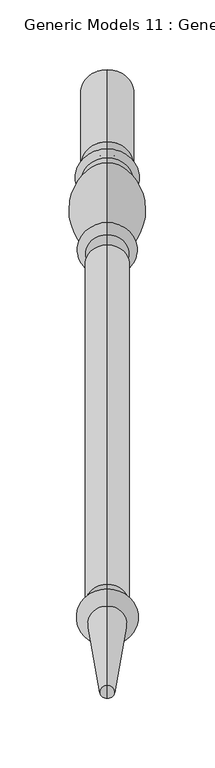
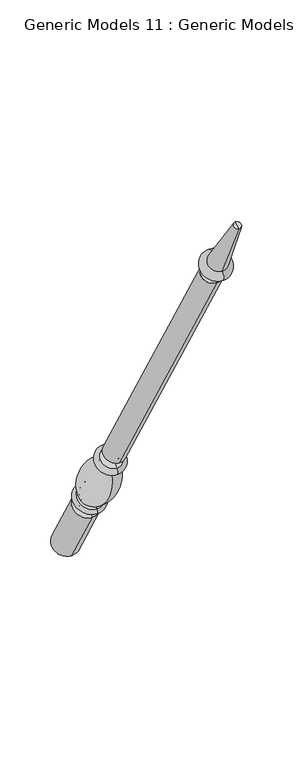
"""IFC4 building model written with IfcOpenShell, lengths in millimetres: proxy geometry, Generic Models 11 : Generic Models 2."""

import ifcopenshell
import ifcopenshell.guid

model = None  # the IFC model being written
_history = None  # IfcOwnerHistory: only IFC2X3 demands one
_inside = {}  # id of a spatial element -> (the spatial element, [elements in it])
_under = {}  # id of a project, library or spatial element -> (it, [spatial elements below it])
_declared = {}  # id of a project -> (the project, [libraries it declares])
_typed = {}  # id of a type object -> (the type object, [elements of that type])
_made_of = {}  # id of a material, layer set ... -> (it, [elements and type objects made of it])


def new_model(schema):
    """Start an empty IFC model of exactly this schema.

    Asked for "IFC4X3", IfcOpenShell would pick the latest addendum, in which some entities
    have other attributes; the version numbers below select the first issue.
    IFC2X3 requires an IfcOwnerHistory on every rooted entity: one is made here for all.
    """
    global model, _history
    if schema == "IFC4X3":
        model = ifcopenshell.file(schema_version=(4, 3, 0, 0))
    else:
        model = ifcopenshell.file(schema=schema)
    _inside.clear()
    _under.clear()
    _declared.clear()
    _typed.clear()
    _made_of.clear()
    _history = None
    if model.schema == "IFC2X3":
        org = make("IfcOrganization", Name="unknown")
        user = make(
            "IfcPersonAndOrganization",
            ThePerson=make("IfcPerson", FamilyName="unknown"),
            TheOrganization=org,
        )
        app = make(
            "IfcApplication",
            ApplicationDeveloper=org,
            Version="unknown",
            ApplicationFullName="unknown",
            ApplicationIdentifier="unknown",
        )
        _history = make(
            "IfcOwnerHistory",
            OwningUser=user,
            OwningApplication=app,
            ChangeAction="ADDED",
            CreationDate=0,
        )
    return model


def make(cls, **values):
    """One entity of the class cls with the attributes given. An attribute that is None is left unset."""
    return model.create_entity(
        cls, **{name: value for name, value in values.items() if value is not None}
    )


def rooted(cls, **values):
    """An entity with a GlobalId (a new one), such as an element, a storey or a relation."""
    return make(cls, GlobalId=ifcopenshell.guid.new(), OwnerHistory=_history, **values)


def si_unit(unit_type, name, prefix=None):
    """IfcSIUnit, for example si_unit("LENGTHUNIT", "METRE", prefix="MILLI")."""
    return make("IfcSIUnit", UnitType=unit_type, Prefix=prefix, Name=name)


def assignment(units):
    """IfcUnitAssignment: the units of a project."""
    return None if units is None else make("IfcUnitAssignment", Units=units)


def point(xyz):
    """IfcCartesianPoint."""
    return None if xyz is None else make("IfcCartesianPoint", Coordinates=xyz)


def direction(xyz):
    """IfcDirection."""
    return None if xyz is None else make("IfcDirection", DirectionRatios=xyz)


def frame(location, z_axis=None, x_axis=None):
    """IfcAxis2Placement3D, a coordinate frame: its origin and axes. An axis left out is left unset."""
    return make(
        "IfcAxis2Placement3D",
        Location=point(location),
        Axis=direction(z_axis),
        RefDirection=direction(x_axis),
    )


def origin():
    """The frame at (0, 0, 0) with its axes left unset."""
    return frame((0.0, 0.0, 0.0))


def place(relative_to, where):
    """IfcLocalPlacement: puts the frame where relative to a parent placement (None: the world)."""
    return make(
        "IfcLocalPlacement", PlacementRelTo=relative_to, RelativePlacement=where
    )


def context(
    kind, dimensions, precision=None, world=None, true_north=None, identifier=None
):
    """IfcGeometricRepresentationContext, for example the 3D "Model" context."""
    return make(
        "IfcGeometricRepresentationContext",
        ContextIdentifier=identifier,
        ContextType=kind,
        CoordinateSpaceDimension=dimensions,
        Precision=precision,
        WorldCoordinateSystem=world,
        TrueNorth=true_north,
    )


def project(units=None, contexts=None):
    """IfcProject with its units and contexts."""
    return rooted(
        "IfcProject",
        Name="project",
        RepresentationContexts=contexts,
        UnitsInContext=assignment(units),
    )


def spatial(cls, under=None, at=None, **own):
    """A site, building, storey or space (cls), placed at a placement, below another one or the project."""
    s = rooted(cls, ObjectPlacement=at, **own)
    if under is not None:
        _under.setdefault(under.id(), (under, []))[1].append(s)
    return s


def polyline(points):
    """IfcPolyline through the points."""
    return make("IfcPolyline", Points=[point(p) for p in points])


def circle_curve(where, radius):
    """IfcCircle in the frame where."""
    return make("IfcCircle", Position=where, Radius=radius)


def ellipse_curve(where, semi_axis1, semi_axis2):
    """IfcEllipse in the frame where."""
    return make(
        "IfcEllipse", Position=where, SemiAxis1=semi_axis1, SemiAxis2=semi_axis2
    )


def trimmed(basis, trim1, trim2, sense, master):
    """IfcTrimmedCurve: the piece of a basis curve between two trims."""
    return make(
        "IfcTrimmedCurve",
        BasisCurve=basis,
        Trim1=trim1,
        Trim2=trim2,
        SenseAgreement=sense,
        MasterRepresentation=master,
    )


def shape(context_of_items, identifier, shape_type, items):
    """IfcShapeRepresentation: the items that make up one representation, for example the "Body"."""
    return make(
        "IfcShapeRepresentation",
        ContextOfItems=context_of_items,
        RepresentationIdentifier=identifier,
        RepresentationType=shape_type,
        Items=items,
    )


def source(mapping_origin, context_of_items, identifier, shape_type, items):
    """IfcRepresentationMap: a shape defined once, which mapped items show again and again."""
    return make(
        "IfcRepresentationMap",
        MappingOrigin=mapping_origin,
        MappedRepresentation=shape(context_of_items, identifier, shape_type, items),
    )


def transform(
    local_origin,
    x_axis=None,
    y_axis=None,
    z_axis=None,
    scale=None,
    scale2=None,
    scale3=None,
    uniform=True,
):
    """IfcCartesianTransformationOperator3D, or its non-uniform kind. x_axis, y_axis, z_axis: its Axis1, 2, 3."""
    if uniform:
        return make(
            "IfcCartesianTransformationOperator3D",
            Axis1=direction(x_axis),
            Axis2=direction(y_axis),
            LocalOrigin=point(local_origin),
            Scale=scale,
            Axis3=direction(z_axis),
        )
    return make(
        "IfcCartesianTransformationOperator3DnonUniform",
        Axis1=direction(x_axis),
        Axis2=direction(y_axis),
        LocalOrigin=point(local_origin),
        Scale=scale,
        Axis3=direction(z_axis),
        Scale2=scale2,
        Scale3=scale3,
    )


def mapped(mapping_source, mapping_target):
    """IfcMappedItem: shows the shape of a source again, moved by a transform."""
    return make(
        "IfcMappedItem", MappingSource=mapping_source, MappingTarget=mapping_target
    )


def made_of(thing, what):
    """Note that an element or type object is made of a material, layer set ...; save() writes the relation."""
    if what is not None:
        _made_of.setdefault(what.id(), (what, []))[1].append(thing)
    return thing


def element(
    cls,
    number,
    at=None,
    inside=None,
    cuts=None,
    type_object=None,
    material=None,
    context=None,
    identifier="Body",
    shape_type=None,
    held_by="IfcProductDefinitionShape",
    body=None,
    shapes=None,
    **own,
):
    """One element of the class cls, such as IfcWall. Its Tag is "e" and its number.

    at: its placement. inside: the storey or other place that contains it. cuts: it is an
    opening in that element (IfcRelVoidsElement). A single representation is given by context,
    identifier, shape_type and body (its items); several are given by shapes. held_by: the class
    of the entity that holds the representations. save() writes the other relations.
    """
    e = rooted(cls, Tag="e%d" % number, ObjectPlacement=at, **own)
    if body is not None:
        shapes = [shape(context, identifier, shape_type, body)]
    if shapes is not None:
        e.Representation = make(held_by, Representations=shapes)
    if inside is not None:
        _inside.setdefault(inside.id(), (inside, []))[1].append(e)
    if cuts is not None:
        rooted(
            "IfcRelVoidsElement", RelatingBuildingElement=cuts, RelatedOpeningElement=e
        )
    if type_object is not None:
        _typed.setdefault(type_object.id(), (type_object, []))[1].append(e)
    return made_of(e, material)


def aggregate(whole, parts):
    """IfcRelAggregates: a whole, such as a stair, and the parts it consists of."""
    return rooted("IfcRelAggregates", RelatingObject=whole, RelatedObjects=parts)


def save(model, path):
    """Write the relations noted so far, then the file.

    IfcRelAggregates (storeys below a building ...), IfcRelContainedInSpatialStructure (elements
    in a storey), IfcRelDefinesByType, IfcRelAssociatesMaterial and IfcRelDeclares: one each for
    every whole, place, type object, material and project.
    """
    for whole, parts in _under.values():
        aggregate(whole, parts)
    for where, things in _inside.values():
        rooted(
            "IfcRelContainedInSpatialStructure",
            RelatedElements=things,
            RelatingStructure=where,
        )
    for kind, things in _typed.values():
        rooted("IfcRelDefinesByType", RelatedObjects=things, RelatingType=kind)
    for what, things in _made_of.values():
        rooted("IfcRelAssociatesMaterial", RelatedObjects=things, RelatingMaterial=what)
    for by, libraries in _declared.values():
        rooted("IfcRelDeclares", RelatingContext=by, RelatedDefinitions=libraries)
    model.write(path)


def plane_surface(at):
    """IfcPlane: the flat surface through the origin of the frame at, square to its z axis."""
    return make("IfcPlane", Position=at)


def cylinder_surface(at, radius):
    """IfcCylindricalSurface: all points at the distance radius from the z axis of the frame at."""
    return make("IfcCylindricalSurface", Position=at, Radius=radius)


def revolved_surface(curve, axis_point, axis_direction):
    """IfcSurfaceOfRevolution: the curve turned about the line through axis_point along axis_direction."""
    return make(
        "IfcSurfaceOfRevolution",
        SweptCurve=make("IfcArbitraryOpenProfileDef", ProfileType="CURVE", Curve=curve),
        AxisPosition=make("IfcAxis1Placement", Location=point(axis_point), Axis=direction(axis_direction)),
    )


def advanced_brep(points, edges, surfaces, faces):
    """IfcAdvancedBrep: a solid bounded by faces that lie on surfaces and meet in shared edges.

    An edge is (start, end): straight between two places in points (the first is 0);
    or (start, end, curve); or (start, end, curve, False) where it runs against its curve.
    A face is (place in surfaces, loops), or (place, loops, False) where it looks against
    its surface's normal. A loop lists edges by number (the first is 1), with a minus sign
    where the edge is run from its end to its start. The first loop is the outer one.
    """
    corners = [point(p) for p in points]
    vertices = [make("IfcVertexPoint", VertexGeometry=c) for c in corners]
    made = []
    for start, end, *more in edges:
        made.append(
            make(
                "IfcEdgeCurve",
                EdgeStart=vertices[start],
                EdgeEnd=vertices[end],
                EdgeGeometry=more[0] if more else make("IfcPolyline", Points=[corners[start], corners[end]]),
                SameSense=more[1] if len(more) > 1 else True,
            )
        )
    hull = []
    for where, loops, *sense in faces:
        bounds = []
        for j, loop in enumerate(loops):
            ring = [make("IfcOrientedEdge", EdgeElement=made[abs(k) - 1], Orientation=k > 0) for k in loop]
            bounds.append(
                make(
                    "IfcFaceOuterBound" if j == 0 else "IfcFaceBound",
                    Bound=make("IfcEdgeLoop", EdgeList=ring),
                    Orientation=True,
                )
            )
        hull.append(make("IfcAdvancedFace", Bounds=bounds, FaceSurface=surfaces[where], SameSense=sense[0] if sense else True))
    return make("IfcAdvancedBrep", Outer=make("IfcClosedShell", CfsFaces=hull))


def generic_models_11_generic_models_2_f3b3bdd0(model_context):
    return source(origin(), model_context, "Body", "AdvancedBrep", [
        advanced_brep(
        [(-1213.2684498, 1861.1601077, 610.5814746), (-1213.2684498, 1828.1645398, 591.5314746), (-1213.2684498, 1880.0576333, 501.65), (-1213.2684498, 1913.0532012, 520.7), (-1213.2684498, 1853.6896456, 623.5206944), (-1213.2684498, 1820.6940777, 604.4706944), (-1213.2684498, 1849.5864045, 630.6277165), (-1213.2684498, 1816.5908366, 611.5777165), (-1213.2684498, 1845.9182158, 636.9812058), (-1213.2684498, 1812.9226479, 617.9312058), (-1213.2684498, 1801.1569262, 703.055156), (-1213.2684498, 1778.0815733, 689.7325947), (-1213.2684498, 1799.8610191, 710.4046105), (-1213.2684498, 1772.3647125, 694.5296105), (-1213.2684498, 1794.1590629, 720.2806883), (-1213.2684498, 1766.6627563, 704.4056883), (-1213.2684498, 1786.7732215, 733.0733408), (-1213.2684498, 1759.276915, 717.1983408), (-1213.2684498, 1542.2982215, 1156.516462), (-1213.2684498, 1514.801915, 1140.641462), (-1213.2684498, 1537.2251467, 1153.5875209), (-1213.2684498, 1519.8749898, 1143.5704031), (-1213.2684498, 1531.1910418, 1164.0388972), (-1213.2684498, 1513.8408848, 1154.0217794), (-1213.2684498, 1534.7597609, 1166.0992981), (-1213.2684498, 1510.2721658, 1151.9613785), (-1213.2684498, 1526.5847892, 1180.2587644), (-1213.2684498, 1502.0971941, 1166.1208448), (-1213.2684498, 1469.4852742, 1261.8053229), (-1213.2684498, 1460.0255603, 1256.3437545), (-1213.2684498, 1464.7554173, 1259.0745387), (-1213.2684498, 1896.5554173, 511.175)],
        [
            (0, 1, circle_curve(frame((-1213.2684498, 1844.6623237, 601.0564746), z_axis=(0.0, 0.5000000000000062, -0.8660254037844352), x_axis=(0.0, -0.8660254037844352, -0.5000000000000062)), 19.05)),
            (1, 2),
            (2, 3, circle_curve(frame((-1213.2684498, 1896.5554173, 511.175), z_axis=(0.0, -0.5000000000000062, 0.8660254037844352), x_axis=(0.0, -0.8660254037844352, -0.5000000000000062)), 19.05)),
            (3, 0),
            (1, 0, circle_curve(frame((-1213.2684498, 1844.6623237, 601.0564746), z_axis=(0.0, 0.5000000000000062, -0.8660254037844352), x_axis=(0.0, -0.8660254037844352, -0.5000000000000062)), 19.05)),
            (3, 2, circle_curve(frame((-1213.2684498, 1896.5554173, 511.175), z_axis=(0.0, -0.5000000000000062, 0.8660254037844352), x_axis=(0.0, -0.8660254037844352, -0.5000000000000062)), 19.05)),
            (4, 5, circle_curve(frame((-1213.2684498, 1837.1918617, 613.9956944), z_axis=(0.0, 0.5000000000000062, -0.8660254037844352), x_axis=(0.0, -0.8660254037844352, -0.5000000000000062)), 19.05)),
            (5, 1, circle_curve(frame((-1213.2684498, 1821.8102989, 596.4889985), z_axis=(-1.0, 0.0, 0.0), x_axis=(0.0, 0.8660254037844352, 0.5000000000000062)), 8.0593685)),
            (0, 4, circle_curve(frame((-1213.2684498, 1860.0438865, 618.5631706), z_axis=(-1.0, 0.0, 0.0), x_axis=(0.0, -0.8660254037844352, -0.5000000000000062)), 8.0593685)),
            (5, 4, circle_curve(frame((-1213.2684498, 1837.1918617, 613.9956944), z_axis=(0.0, 0.5000000000000062, -0.8660254037844352), x_axis=(0.0, -0.8660254037844352, -0.5000000000000062)), 19.05)),
            (6, 7, circle_curve(frame((-1213.2684498, 1833.0886205, 621.1027165), z_axis=(0.0, 0.5000000000000062, -0.8660254037844352), x_axis=(0.0, -0.8660254037844352, -0.5000000000000062)), 19.05)),
            (7, 5, circle_curve(frame((-1213.2684498, 1818.6424572, 608.0242055), z_axis=(1.0, 0.0, 0.0), x_axis=(0.0, 0.8660254037844352, 0.5000000000000062)), 4.1032411)),
            (4, 6, circle_curve(frame((-1213.2684498, 1851.638025, 627.0742055), z_axis=(1.0, 0.0, 0.0), x_axis=(0.0, -0.8660254037844352, -0.5000000000000062)), 4.1032411)),
            (7, 6, circle_curve(frame((-1213.2684498, 1833.0886205, 621.1027165), z_axis=(0.0, 0.5000000000000062, -0.8660254037844352), x_axis=(0.0, -0.8660254037844352, -0.5000000000000062)), 19.05)),
            (8, 9, circle_curve(frame((-1213.2684498, 1829.4204318, 627.4562058), z_axis=(0.0, 0.5000000000000062, -0.8660254037844352), x_axis=(0.0, -0.8660254037844352, -0.5000000000000062)), 19.05)),
            (9, 7, circle_curve(frame((-1213.2684498, 1813.3633086, 613.9499618), z_axis=(-1.0, 0.0, 0.0), x_axis=(0.0, 0.8660254037844352, 0.5000000000000062)), 4.0055568)),
            (6, 8, circle_curve(frame((-1213.2684498, 1849.1457438, 634.6089605), z_axis=(-1.0, 0.0, 0.0), x_axis=(0.0, -0.8660254037844352, -0.5000000000000062)), 4.0055568)),
            (9, 8, circle_curve(frame((-1213.2684498, 1829.4204318, 627.4562058), z_axis=(0.0, 0.5000000000000062, -0.8660254037844352), x_axis=(0.0, -0.8660254037844352, -0.5000000000000062)), 19.05)),
            (10, 11, circle_curve(frame((-1213.2684498, 1789.6192497, 696.3938754), z_axis=(0.0, 0.5000000000000062, -0.8660254037844352), x_axis=(0.0, -0.8660254037844352, -0.5000000000000062)), 13.3225612)),
            (11, 9, circle_curve(frame((-1213.2684498, 1854.1299968, 682.2806335), z_axis=(1.0, 0.0, 0.0), x_axis=(0.0, 0.8660254037844352, 0.5000000000000062)), 76.412659)),
            (8, 10, circle_curve(frame((-1213.2684498, 1769.5863022, 633.4693086), z_axis=(1.0, 0.0, 0.0), x_axis=(0.0, -0.8660254037844352, -0.5000000000000062)), 76.412659)),
            (11, 10, circle_curve(frame((-1213.2684498, 1789.6192497, 696.3938754), z_axis=(0.0, 0.5000000000000062, -0.8660254037844352), x_axis=(0.0, -0.8660254037844352, -0.5000000000000062)), 13.3225612)),
            (12, 13, circle_curve(frame((-1213.2684498, 1786.1128658, 702.4671105), z_axis=(0.0, 0.5000000000000062, -0.8660254037844352), x_axis=(0.0, -0.8660254037844352, -0.5000000000000062)), 15.875)),
            (13, 11, circle_curve(frame((-1213.2684498, 1773.4069828, 689.9666873), z_axis=(-1.0, 0.0, 0.0), x_axis=(0.0, 0.8660254037844352, 0.5000000000000062)), 4.6804482)),
            (10, 12, circle_curve(frame((-1213.2684498, 1803.2914914, 707.2205164), z_axis=(-1.0, 0.0, 0.0), x_axis=(0.0, -0.8660254037844352, -0.5000000000000062)), 4.6804482)),
            (13, 12, circle_curve(frame((-1213.2684498, 1786.1128658, 702.4671105), z_axis=(0.0, 0.5000000000000062, -0.8660254037844352), x_axis=(0.0, -0.8660254037844352, -0.5000000000000062)), 15.875)),
            (14, 15, circle_curve(frame((-1213.2684498, 1780.4109096, 712.3431883), z_axis=(0.0, 0.5000000000000062, -0.8660254037844352), x_axis=(0.0, -0.8660254037844352, -0.5000000000000062)), 15.875)),
            (15, 13, circle_curve(frame((-1213.2684498, 1769.5137344, 699.4676494), z_axis=(1.0, 0.0, 0.0), x_axis=(0.0, 0.8660254037844352, 0.5000000000000062)), 5.7019562)),
            (12, 14, circle_curve(frame((-1213.2684498, 1797.010041, 715.3426494), z_axis=(1.0, 0.0, 0.0), x_axis=(0.0, -0.8660254037844352, -0.5000000000000062)), 5.7019562)),
            (15, 14, circle_curve(frame((-1213.2684498, 1780.4109096, 712.3431883), z_axis=(0.0, 0.5000000000000062, -0.8660254037844352), x_axis=(0.0, -0.8660254037844352, -0.5000000000000062)), 15.875)),
            (16, 17, circle_curve(frame((-1213.2684498, 1773.0250683, 725.1358408), z_axis=(0.0, 0.5000000000000062, -0.8660254037844352), x_axis=(0.0, -0.8660254037844352, -0.5000000000000062)), 15.875)),
            (17, 15, circle_curve(frame((-1213.2684498, 1762.9698356, 710.8020145), z_axis=(-1.0, 0.0, 0.0), x_axis=(0.0, 0.8660254037844352, 0.5000000000000062)), 7.3858413)),
            (14, 16, circle_curve(frame((-1213.2684498, 1790.4661422, 726.6770145), z_axis=(-1.0, 0.0, 0.0), x_axis=(0.0, -0.8660254037844352, -0.5000000000000062)), 7.3858413)),
            (17, 16, circle_curve(frame((-1213.2684498, 1773.0250683, 725.1358408), z_axis=(0.0, 0.5000000000000062, -0.8660254037844352), x_axis=(0.0, -0.8660254037844352, -0.5000000000000062)), 15.875)),
            (18, 19, circle_curve(frame((-1213.2684498, 1528.5500683, 1148.578962), z_axis=(0.0, 0.5000000000000062, -0.8660254037844352), x_axis=(0.0, -0.8660254037844352, -0.5000000000000062)), 15.875)),
            (19, 17),
            (16, 18),
            (19, 18, circle_curve(frame((-1213.2684498, 1528.5500683, 1148.578962), z_axis=(0.0, 0.5000000000000062, -0.8660254037844352), x_axis=(0.0, -0.8660254037844352, -0.5000000000000062)), 15.875)),
            (20, 21, circle_curve(frame((-1213.2684498, 1528.5500683, 1148.578962), z_axis=(0.0, 0.5000000000000062, -0.8660254037844352), x_axis=(0.0, -0.8660254037844352, -0.5000000000000062)), 10.0171178)),
            (21, 19),
            (18, 20),
            (21, 20, circle_curve(frame((-1213.2684498, 1528.5500683, 1148.578962), z_axis=(0.0, 0.5000000000000062, -0.8660254037844352), x_axis=(0.0, -0.8660254037844352, -0.5000000000000062)), 10.0171178)),
            (22, 23, circle_curve(frame((-1213.2684498, 1522.5159633, 1159.0303383), z_axis=(0.0, 0.5000000000000062, -0.8660254037844352), x_axis=(0.0, -0.8660254037844352, -0.5000000000000062)), 10.0171178)),
            (23, 21, circle_curve(frame((-1213.2684498, 1515.3020818, 1147.8978177), z_axis=(-1.0, 0.0, 0.0), x_axis=(0.0, 0.8660254037844352, 0.5000000000000062)), 6.295872)),
            (20, 22, circle_curve(frame((-1213.2684498, 1535.7639497, 1159.7114826), z_axis=(-1.0, 0.0, 0.0), x_axis=(0.0, -0.8660254037844352, -0.5000000000000062)), 6.295872)),
            (23, 22, circle_curve(frame((-1213.2684498, 1522.5159633, 1159.0303383), z_axis=(0.0, 0.5000000000000062, -0.8660254037844352), x_axis=(0.0, -0.8660254037844352, -0.5000000000000062)), 10.0171178)),
            (24, 25, circle_curve(frame((-1213.2684498, 1522.5159633, 1159.0303383), z_axis=(0.0, 0.5000000000000062, -0.8660254037844352), x_axis=(0.0, -0.8660254037844352, -0.5000000000000062)), 14.1379196)),
            (25, 23),
            (22, 24),
            (25, 24, circle_curve(frame((-1213.2684498, 1522.5159633, 1159.0303383), z_axis=(0.0, 0.5000000000000062, -0.8660254037844352), x_axis=(0.0, -0.8660254037844352, -0.5000000000000062)), 14.1379196)),
            (26, 27, circle_curve(frame((-1213.2684498, 1514.3409916, 1173.1898046), z_axis=(0.0, 0.5000000000000062, -0.8660254037844352), x_axis=(0.0, -0.8660254037844352, -0.5000000000000062)), 14.1379196)),
            (27, 25, circle_curve(frame((-1213.2684498, 1506.1846799, 1159.0411116), z_axis=(1.0, 0.0, 0.0), x_axis=(0.0, 0.8660254037844352, 0.5000000000000062)), 8.1749717)),
            (24, 26, circle_curve(frame((-1213.2684498, 1530.672275, 1173.1790313), z_axis=(1.0, 0.0, 0.0), x_axis=(0.0, -0.8660254037844352, -0.5000000000000062)), 8.1749717)),
            (27, 26, circle_curve(frame((-1213.2684498, 1514.3409916, 1173.1898046), z_axis=(0.0, 0.5000000000000062, -0.8660254037844352), x_axis=(0.0, -0.8660254037844352, -0.5000000000000062)), 14.1379196)),
            (28, 29, circle_curve(frame((-1213.2684498, 1464.7554173, 1259.0745387), z_axis=(0.0, 0.5000000000000062, -0.8660254037844352), x_axis=(0.0, -0.8660254037844352, -0.5000000000000062)), 5.4615684)),
            (29, 27),
            (26, 28),
            (29, 28, circle_curve(frame((-1213.2684498, 1464.7554173, 1259.0745387), z_axis=(0.0, 0.5000000000000062, -0.8660254037844352), x_axis=(0.0, -0.8660254037844352, -0.5000000000000062)), 5.4615684)),
            (30, 29),
            (28, 30),
            (2, 31),
            (31, 3),
        ],
        [
            cylinder_surface(frame((-1213.2684498, 1464.7554173, 1259.0745387), z_axis=(0.0, -0.5000000000000062, 0.8660254037844352), x_axis=(0.0, -0.8660254037844352, -0.5000000000000062)), 19.05),
            revolved_surface(trimmed(ellipse_curve(frame((-1213.2684498, 1821.8102989, 596.4889985), z_axis=(1.0, 0.0, 0.0), x_axis=(0.0, 0.8660254037844352, 0.5000000000000062)), 8.0593685, 8.0593685), [point((-1213.2684498, 1828.1645398, 591.5314746))], [point((-1213.2684498, 1820.6940777, 604.4706944))], True, "CARTESIAN"), (-1213.2684498, 1464.7554173, 1259.0745387), (0.0, -0.5000000000000062, 0.8660254037844352)),
            revolved_surface(trimmed(ellipse_curve(frame((-1213.2684498, 1818.6424572, 608.0242055), z_axis=(-1.0, 0.0, 0.0), x_axis=(0.0, 0.8660254037844352, 0.5000000000000062)), 4.1032411, 4.1032411), [point((-1213.2684498, 1820.6940777, 604.4706944))], [point((-1213.2684498, 1816.5908366, 611.5777165))], True, "CARTESIAN"), (-1213.2684498, 1464.7554173, 1259.0745387), (0.0, -0.5000000000000062, 0.8660254037844352)),
            revolved_surface(trimmed(ellipse_curve(frame((-1213.2684498, 1813.3633086, 613.9499618), z_axis=(1.0, 0.0, 0.0), x_axis=(0.0, 0.8660254037844352, 0.5000000000000062)), 4.0055568, 4.0055568), [point((-1213.2684498, 1816.5908366, 611.5777165))], [point((-1213.2684498, 1812.9226479, 617.9312058))], True, "CARTESIAN"), (-1213.2684498, 1464.7554173, 1259.0745387), (0.0, -0.5000000000000062, 0.8660254037844352)),
            revolved_surface(trimmed(ellipse_curve(frame((-1213.2684498, 1854.1299968, 682.2806335), z_axis=(-1.0, 0.0, 0.0), x_axis=(0.0, 0.8660254037844352, 0.5000000000000062)), 76.412659, 76.412659), [point((-1213.2684498, 1812.9226479, 617.9312058))], [point((-1213.2684498, 1778.0815733, 689.7325947))], True, "CARTESIAN"), (-1213.2684498, 1464.7554173, 1259.0745387), (0.0, -0.5000000000000062, 0.8660254037844352)),
            revolved_surface(trimmed(ellipse_curve(frame((-1213.2684498, 1773.4069828, 689.9666873), z_axis=(1.0, 0.0, 0.0), x_axis=(0.0, 0.8660254037844352, 0.5000000000000062)), 4.6804482, 4.6804482), [point((-1213.2684498, 1778.0815733, 689.7325947))], [point((-1213.2684498, 1772.3647125, 694.5296105))], True, "CARTESIAN"), (-1213.2684498, 1464.7554173, 1259.0745387), (0.0, -0.5000000000000062, 0.8660254037844352)),
            revolved_surface(trimmed(ellipse_curve(frame((-1213.2684498, 1769.5137344, 699.4676494), z_axis=(-1.0, 0.0, 0.0), x_axis=(0.0, 0.8660254037844352, 0.5000000000000062)), 5.7019562, 5.7019562), [point((-1213.2684498, 1772.3647125, 694.5296105))], [point((-1213.2684498, 1766.6627563, 704.4056883))], True, "CARTESIAN"), (-1213.2684498, 1464.7554173, 1259.0745387), (0.0, -0.5000000000000062, 0.8660254037844352)),
            revolved_surface(trimmed(ellipse_curve(frame((-1213.2684498, 1762.9698356, 710.8020145), z_axis=(1.0, 0.0, 0.0), x_axis=(0.0, 0.8660254037844352, 0.5000000000000062)), 7.3858413, 7.3858413), [point((-1213.2684498, 1766.6627563, 704.4056883))], [point((-1213.2684498, 1759.276915, 717.1983408))], True, "CARTESIAN"), (-1213.2684498, 1464.7554173, 1259.0745387), (0.0, -0.5000000000000062, 0.8660254037844352)),
            cylinder_surface(frame((-1213.2684498, 1464.7554173, 1259.0745387), z_axis=(0.0, -0.5000000000000062, 0.8660254037844352), x_axis=(0.0, -0.8660254037844352, -0.5000000000000062)), 15.875),
            plane_surface(frame((-1213.2684498, 1528.5500683, 1148.578962), z_axis=(0.0, -0.5000000000000062, 0.8660254037844352), x_axis=(0.0, -0.8660254037844352, -0.5000000000000062))),
            revolved_surface(trimmed(ellipse_curve(frame((-1213.2684498, 1515.3020818, 1147.8978177), z_axis=(1.0, 0.0, 0.0), x_axis=(0.0, 0.8660254037844352, 0.5000000000000062)), 6.295872, 6.295872), [point((-1213.2684498, 1519.8749898, 1143.5704031))], [point((-1213.2684498, 1513.8408848, 1154.0217794))], True, "CARTESIAN"), (-1213.2684498, 1464.7554173, 1259.0745387), (0.0, -0.5000000000000062, 0.8660254037844352)),
            plane_surface(frame((-1213.2684498, 1522.5159633, 1159.0303383), z_axis=(0.0, 0.5000000000000062, -0.8660254037844352), x_axis=(0.0, -0.8660254037844352, -0.5000000000000062))),
            revolved_surface(trimmed(ellipse_curve(frame((-1213.2684498, 1506.1846799, 1159.0411116), z_axis=(-1.0, 0.0, 0.0), x_axis=(0.0, 0.8660254037844352, 0.5000000000000062)), 8.1749717, 8.1749717), [point((-1213.2684498, 1510.2721658, 1151.9613785))], [point((-1213.2684498, 1502.0971941, 1166.1208448))], True, "CARTESIAN"), (-1213.2684498, 1464.7554173, 1259.0745387), (0.0, -0.5000000000000062, 0.8660254037844352)),
            revolved_surface(polyline([(-1213.2684498, 1502.0971941, 1166.1208448), (-1213.2684498, 1460.0255603, 1256.3437545)]), (-1213.2684498, 1464.7554173, 1259.0745387), (0.0, -0.5000000000000062, 0.8660254037844352)),
            plane_surface(frame((-1213.2684498, 1464.7554173, 1259.0745387), z_axis=(0.0, -0.5000000000000062, 0.8660254037844352), x_axis=(0.0, -0.8660254037844352, -0.5000000000000062))),
            plane_surface(frame((-1213.2684498, 1896.5554173, 511.175), z_axis=(0.0, 0.5000000000000062, -0.8660254037844352), x_axis=(0.0, -0.8660254037844352, -0.5000000000000062))),
        ],
        [
            (0, [[1, 2, 3, 4]]),
            (0, [[5, -4, 6, -2]]),
            (1, [[7, 8, -1, 9]]),
            (1, [[10, -9, -5, -8]]),
            (2, [[11, 12, -7, 13]]),
            (2, [[14, -13, -10, -12]]),
            (3, [[15, 16, -11, 17]]),
            (3, [[18, -17, -14, -16]]),
            (4, [[19, 20, -15, 21]]),
            (4, [[22, -21, -18, -20]]),
            (5, [[23, 24, -19, 25]]),
            (5, [[26, -25, -22, -24]]),
            (6, [[27, 28, -23, 29]]),
            (6, [[30, -29, -26, -28]]),
            (7, [[31, 32, -27, 33]]),
            (7, [[34, -33, -30, -32]]),
            (8, [[35, 36, -31, 37]]),
            (8, [[38, -37, -34, -36]]),
            (9, [[39, 40, -35, 41]]),
            (9, [[42, -41, -38, -40]]),
            (10, [[43, 44, -39, 45]]),
            (10, [[46, -45, -42, -44]]),
            (11, [[47, 48, -43, 49]]),
            (11, [[50, -49, -46, -48]]),
            (12, [[51, 52, -47, 53]]),
            (12, [[54, -53, -50, -52]]),
            (13, [[55, 56, -51, 57]]),
            (13, [[58, -57, -54, -56]]),
            (14, [[59, -55, 60]]),
            (14, [[-60, -58, -59]]),
            (15, [[-3, 61, 62]]),
            (15, [[-6, -62, -61]]),
        ],
    ),
    ])


if __name__ == "__main__":
    model = new_model("IFC4")
    model_context = context("Model", 3, world=origin())
    ifc_project = project(units=[si_unit("LENGTHUNIT", "METRE", prefix="MILLI")], contexts=[model_context])
    site = spatial("IfcSite", under=ifc_project)
    building = spatial("IfcBuilding", under=site)
    placement = place(None, origin())
    generic_models_11_generic_models_2_shape = generic_models_11_generic_models_2_f3b3bdd0(model_context)
    element("IfcBuildingElementProxy", 1, Name="Generic Models 11 : Generic Models 2", ObjectType="Generic Models 11 : Generic Models 2", at=placement, inside=building, context=model_context, shape_type="MappedRepresentation", body=[
        mapped(generic_models_11_generic_models_2_shape, transform((0.0, 0.0, 0.0), x_axis=(1.0, 0.0, 0.0), y_axis=(0.0, 1.0, 0.0), z_axis=(0.0, 0.0, 1.0))),
    ])
    save(model, "model.ifc")
